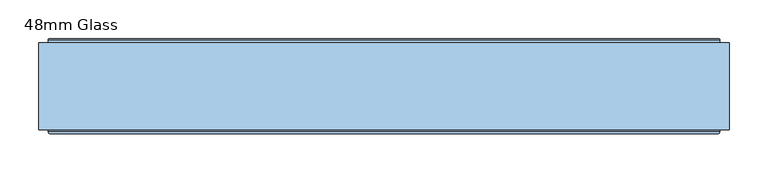
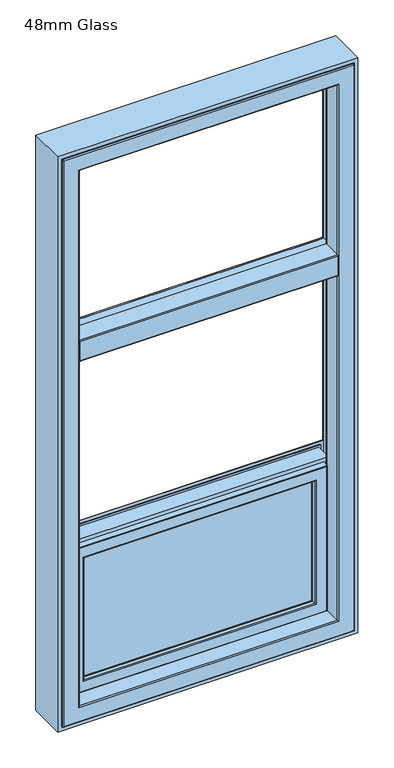
"""IFC4 building model written with IfcOpenShell, lengths in millimetres: window geometry, 48mm Glass."""

from ifc_helpers import new_model, si_unit, frame, origin, place, context, project, spatial, polyline, circle_curve, ellipse_curve, outline, extrude, source, transform, mapped, element, save
from ifc_brep_helpers import plane_surface, cylinder_surface, revolved_surface, advanced_brep


def window_48mm_glass_fe7081b2(model_context):
    return source(origin(), model_context, "Body", "SolidModel", [
        advanced_brep(
        [(382.0, 91.0, 1956.9609121), (382.0, 91.0, 1940.288), (-382.0, 91.0, 1940.288), (-382.0, 91.0, 1956.9609121), (382.0, 35.0, 1940.288), (-382.0, 35.0, 1940.288), (382.0, 32.0, 1943.288), (382.0, 32.0, 2003.288), (-382.0, 32.0, 2003.288), (-382.0, 32.0, 1943.288), (382.0, 35.0, 2006.288), (382.0, 91.0, 2006.288), (-382.0, 91.0, 2006.288), (-382.0, 35.0, 2006.288), (382.0, 91.0, 1989.6150879), (-382.0, 91.0, 1989.6150879), (400.1583253, 92.2894565, 1988.1299376), (406.822025, 146.5609347, 1981.4773048), (-406.822025, 146.5609347, 1981.4773048), (-400.1583253, 92.2894565, 1988.1299376), (406.822025, 146.5609347, 1965.0986952), (400.1583253, 92.2894565, 1958.4460624), (-400.1583253, 92.2894565, 1958.4460624), (-406.822025, 146.5609347, 1965.0986952), (400.0, 91.0, 1956.9609121), (400.0, 91.0, 1989.6150879), (407.6, 153.0, 1980.688), (407.6, 153.0, 1965.888), (407.6, 154.0, 1966.888), (407.6, 154.0, 1979.688), (407.0359197, 148.3029671, 1965.888), (407.0359197, 148.3029671, 1980.688), (-400.0, 91.0, 1989.6150879), (-400.0, 91.0, 1956.9609121), (-407.6, 153.0, 1965.888), (-407.6, 153.0, 1980.688), (-407.6, 154.0, 1979.688), (-407.6, 154.0, 1966.888), (-407.0359197, 148.3029671, 1980.688), (-407.0359197, 148.3029671, 1965.888)],
        [
            (0, 1),
            (1, 2),
            (2, 3),
            (3, 0),
            (1, 4),
            (4, 5),
            (5, 2),
            (6, 7),
            (7, 8),
            (8, 9),
            (9, 6),
            (10, 11),
            (11, 12),
            (12, 13),
            (13, 10),
            (11, 14),
            (14, 15),
            (15, 12),
            (16, 17),
            (17, 18),
            (18, 19),
            (19, 16),
            (20, 21),
            (21, 22),
            (22, 23),
            (23, 20),
            (14, 0),
            (0, 24),
            (24, 25),
            (25, 14),
            (10, 7, circle_curve(frame((382.0, 35.0, 2003.288), z_axis=(1.0, 0.0, 0.0), x_axis=(0.0, 0.0, 1.0)), 3.0)),
            (6, 4, circle_curve(frame((382.0, 35.0, 1943.288), z_axis=(1.0, 0.0, 0.0), x_axis=(0.0, 0.0, 1.0)), 3.0)),
            (26, 27),
            (27, 28, circle_curve(frame((407.6, 153.0, 1966.888), z_axis=(1.0, 0.0, 0.0), x_axis=(0.0, 0.0, 1.0)), 1.0)),
            (28, 29),
            (29, 26, circle_curve(frame((407.6, 153.0, 1979.688), z_axis=(1.0, 0.0, 0.0), x_axis=(0.0, 0.0, 1.0)), 1.0)),
            (24, 21, ellipse_curve(frame((400.1841768, 92.5, 1956.9609121), z_axis=(-0.9925461516413192, 0.12186934340517064, 0.0), x_axis=(0.12186934340517032, 0.9925461516413191, 0.0)), 1.5112647, 1.5)),
            (20, 30),
            (30, 27),
            (26, 31),
            (31, 17),
            (16, 25, ellipse_curve(frame((400.1841768, 92.5, 1989.6150879), z_axis=(-0.9925461516413192, 0.12186934340517064, 0.0), x_axis=(0.12186934340517032, 0.9925461516413191, 0.0)), 1.5112647, 1.5)),
            (3, 15),
            (15, 32),
            (32, 33),
            (33, 3),
            (5, 9, circle_curve(frame((-382.0, 35.0, 1943.288), z_axis=(-1.0, 0.0, 0.0), x_axis=(0.0, 0.0, 1.0)), 3.0)),
            (8, 13, circle_curve(frame((-382.0, 35.0, 2003.288), z_axis=(-1.0, 0.0, 0.0), x_axis=(0.0, 0.0, 1.0)), 3.0)),
            (34, 35),
            (35, 36, circle_curve(frame((-407.6, 153.0, 1979.688), z_axis=(-1.0, 0.0, 0.0), x_axis=(0.0, 0.0, 1.0)), 1.0)),
            (36, 37),
            (37, 34, circle_curve(frame((-407.6, 153.0, 1966.888), z_axis=(-1.0, 0.0, 0.0), x_axis=(0.0, 0.0, 1.0)), 1.0)),
            (32, 19, ellipse_curve(frame((-400.1841768, 92.5, 1989.6150879), z_axis=(0.9925461516413218, 0.12186934340514957, 0.0), x_axis=(0.12186934340514949, -0.9925461516413219, 0.0)), 1.5112647, 1.5)),
            (18, 38),
            (38, 35),
            (34, 39),
            (39, 23),
            (22, 33, ellipse_curve(frame((-400.1841768, 92.5, 1956.9609121), z_axis=(0.9925461516413218, 0.12186934340514957, 0.0), x_axis=(0.12186934340514949, -0.9925461516413219, 0.0)), 1.5112647, 1.5)),
            (31, 38),
            (26, 35),
            (29, 36),
            (28, 37),
            (27, 34),
            (30, 39),
        ],
        [
            plane_surface(frame((-432.0, 91.0, 1956.9609121), z_axis=(0.0, 1.0, 0.0), x_axis=(1.0, 0.0, 0.0))),
            plane_surface(frame((-432.0, 91.0, 1940.288), z_axis=(0.0, 0.0, -1.0), x_axis=(1.0, 0.0, 0.0))),
            plane_surface(frame((-432.0, 32.0, 1943.288), z_axis=(0.0, -1.0, 0.0), x_axis=(1.0, 0.0, 0.0))),
            plane_surface(frame((-432.0, 35.0, 2006.288), z_axis=(0.0, 0.0, 1.0), x_axis=(1.0, 0.0, 0.0))),
            plane_surface(frame((-432.0, 91.0, 2006.288), z_axis=(0.0, 1.0, 0.0), x_axis=(1.0, 0.0, 0.0))),
            plane_surface(frame((-432.0, 92.2894565, 1988.1299376), z_axis=(0.0, 0.12166994625706042, 0.992570614202236), x_axis=(1.0, 0.0, 0.0))),
            plane_surface(frame((-432.0, 146.5609347, 1965.0986952), z_axis=(0.0, 0.12166994625704212, -0.9925706142022382), x_axis=(1.0, 0.0, 0.0))),
            plane_surface(frame((400.0, 91.0, 2223.288), z_axis=(0.0, -1.0, 0.0), x_axis=(0.0, 0.0, -1.0))),
            plane_surface(frame((382.0, 91.0, 2223.288), z_axis=(1.0, 0.0, 0.0), x_axis=(0.0, 0.0, -1.0))),
            plane_surface(frame((407.6, 154.0, 2223.288), z_axis=(1.0, 0.0, 0.0), x_axis=(0.0, 0.0, -1.0))),
            plane_surface(frame((407.6, 152.8970329, 2223.288), z_axis=(0.9925461516413192, -0.12186934340517064, 0.0), x_axis=(0.0, 0.0, -1.0))),
            plane_surface(frame((-382.0, 91.0, 2223.288), z_axis=(0.0, -1.0, 0.0), x_axis=(0.0, 0.0, -1.0))),
            plane_surface(frame((-382.0, 32.0, 2223.288), z_axis=(-1.0, 0.0, 0.0), x_axis=(0.0, 0.0, -1.0))),
            plane_surface(frame((-407.6, 152.8970329, 2223.288), z_axis=(-1.0, 0.0, 0.0), x_axis=(0.0, 0.0, -1.0))),
            plane_surface(frame((-400.0, 91.0, 2223.288), z_axis=(-0.9925461516413218, -0.12186934340514957, 0.0), x_axis=(0.0, 0.0, -1.0))),
            revolved_surface(polyline([(400.3683536367004, 92.5, 1958.4609121), (-400.36835363670036, 92.5, 1958.4609121)]), (432.0, 92.5, 1956.9609121), (1.0, 0.0, 0.0)),
            cylinder_surface(frame((432.0, 35.0, 1943.288), z_axis=(-1.0, 0.0, 0.0), x_axis=(0.0, 0.0, 1.0)), 3.0),
            cylinder_surface(frame((432.0, 35.0, 2003.288), z_axis=(-1.0, 0.0, 0.0), x_axis=(0.0, 0.0, 1.0)), 3.0),
            revolved_surface(polyline([(400.3683536367004, 92.5, 1991.1150879), (-400.36835363670036, 92.5, 1991.1150879)]), (432.0, 92.5, 1989.6150879), (1.0, 0.0, 0.0)),
            plane_surface(frame((-432.0, 146.5609347, 1981.4773048), z_axis=(0.0, 0.4127070888885561, 0.9108637981504883), x_axis=(1.0, 0.0, 0.0))),
            plane_surface(frame((-432.0, 148.3029671, 1980.688), z_axis=(0.0, 0.0, 1.0), x_axis=(1.0, 0.0, 0.0))),
            cylinder_surface(frame((432.0, 153.0, 1979.688), z_axis=(-1.0, 0.0, 0.0), x_axis=(0.0, 0.0, 1.0)), 1.0),
            plane_surface(frame((-432.0, 154.0, 1979.688), z_axis=(0.0, 1.0, 0.0), x_axis=(1.0, 0.0, 0.0))),
            cylinder_surface(frame((432.0, 153.0, 1966.888), z_axis=(-1.0, 0.0, 0.0), x_axis=(0.0, 0.0, 1.0)), 1.0),
            plane_surface(frame((-432.0, 153.0, 1965.888), z_axis=(0.0, 0.0, -1.0), x_axis=(1.0, 0.0, 0.0))),
            plane_surface(frame((-432.0, 148.3029671, 1965.888), z_axis=(0.0, 0.41270708890017077, -0.9108637981452258), x_axis=(1.0, 0.0, 0.0))),
        ],
        [
            (0, [[1, 2, 3, 4]]),
            (1, [[5, 6, 7, -2]]),
            (2, [[8, 9, 10, 11]]),
            (3, [[12, 13, 14, 15]]),
            (4, [[16, 17, 18, -13]]),
            (5, [[19, 20, 21, 22]]),
            (6, [[23, 24, 25, 26]]),
            (7, [[27, 28, 29, 30]]),
            (8, [[-27, -16, -12, 31, -8, 32, -5, -1]]),
            (9, [[33, 34, 35, 36]]),
            (10, [[-29, 37, -23, 38, 39, -33, 40, 41, -19, 42]]),
            (11, [[43, 44, 45, 46]]),
            (12, [[-43, -3, -7, 47, -10, 48, -14, -18]]),
            (13, [[49, 50, 51, 52]]),
            (14, [[-45, 53, -21, 54, 55, -49, 56, 57, -25, 58]]),
            (15, [[-28, -4, -46, -58, -24, -37]]),
            (16, [[-32, -11, -47, -6]]),
            (17, [[-31, -15, -48, -9]]),
            (18, [[-30, -42, -22, -53, -44, -17]]),
            (19, [[-41, 59, -54, -20]]),
            (20, [[-40, 60, -55, -59]]),
            (21, [[-36, 61, -50, -60]]),
            (22, [[-35, 62, -51, -61]]),
            (23, [[-34, 63, -52, -62]]),
            (24, [[-39, 64, -56, -63]]),
            (25, [[-38, -26, -57, -64]]),
        ],
    ),
        extrude(outline(polyline([(354.0, 93.0110098), (-354.0, 93.0110098), (-354.0, 141.0110098), (354.0, 141.0110098), (354.0, 93.0110098)])), frame((0.0, 0.0, 890.0), z_axis=(0.0, 0.0, 1.0), x_axis=(1.0, 0.0, 0.0)), (0.0, 0.0, 1.0), 406.592),
        advanced_brep(
        [(396.5, 148.6168436, 1339.092), (396.5, 145.5999985, 1339.092), (396.5, 145.5999985, 847.5), (396.5, 148.6168436, 847.5), (399.0, 153.0, 1341.592), (400.0, 152.0, 1342.592), (400.0, 152.0, 844.0), (399.0, 153.0, 845.0), (340.0012615, 141.0, 1282.5932615), (340.0012615, 142.3599713, 1282.5932615), (340.0012615, 142.3599713, 903.9987385), (340.0012615, 141.0, 903.9987385), (358.3697055, 93.0110098, 1300.9617055), (364.2620126, 141.0, 1306.8540126), (364.2620126, 141.0, 879.7379874), (358.3697055, 93.0110098, 885.6302945), (340.0013518, 90.0110098, 1282.5933518), (340.0013518, 93.0110098, 1282.5933518), (340.0013518, 93.0110098, 903.9986482), (340.0013518, 90.0110098, 903.9986482), (340.0232044, 88.8030982, 1282.6152044), (341.001352, 90.0110098, 1283.593352), (341.001352, 90.0110098, 902.998648), (340.0232044, 88.8030982, 903.9767956), (341.8120427, 80.376265, 1284.4040427), (341.8120427, 80.376265, 902.1879573), (344.7464855, 78.0, 1287.3384855), (344.7464855, 78.0, 899.2535145), (377.5618051, 79.7562613, 1320.1538051), (375.5767128, 78.0, 1318.1687128), (375.5767128, 78.0, 868.4232872), (377.5618051, 79.7562613, 866.4381949), (379.5562854, 96.0, 1322.1482854), (379.5562854, 96.0, 864.4437146), (391.0, 145.5999985, 1333.592), (391.0, 96.0, 1333.592), (391.0, 96.0, 853.0), (391.0, 145.5999985, 853.0), (-396.5, 145.5999985, 847.5), (-396.5, 148.6168436, 847.5), (-400.0, 152.0, 844.0), (-399.0, 153.0, 845.0), (-340.0012615, 142.3599713, 903.9987385), (-340.0012615, 141.0, 903.9987385), (-364.2620126, 141.0, 879.7379874), (-358.3697055, 93.0110098, 885.6302945), (-340.0013518, 93.0110098, 903.9986482), (-340.0013518, 90.0110098, 903.9986482), (-341.001352, 90.0110098, 902.998648), (-340.0232044, 88.8030982, 903.9767956), (-341.8120427, 80.376265, 902.1879573), (-344.7464855, 78.0, 899.2535145), (-375.5767128, 78.0, 868.4232872), (-377.5618051, 79.7562613, 866.4381949), (-379.5562854, 96.0, 864.4437146), (-391.0, 96.0, 853.0), (-391.0, 145.5999985, 853.0), (-396.5, 145.5999985, 1339.092), (-396.5, 148.6168436, 1339.092), (-400.0, 152.0, 1342.592), (-399.0, 153.0, 1341.592), (-340.0012615, 142.3599713, 1282.5932615), (-340.0012615, 141.0, 1282.5932615), (-364.2620126, 141.0, 1306.8540126), (-358.3697055, 93.0110098, 1300.9617055), (-340.0013518, 93.0110098, 1282.5933518), (-340.0013518, 90.0110098, 1282.5933518), (-341.001352, 90.0110098, 1283.593352), (-340.0232044, 88.8030982, 1282.6152044), (-341.8120427, 80.376265, 1284.4040427), (-344.7464855, 78.0, 1287.3384855), (-375.5767128, 78.0, 1318.1687128), (-377.5618051, 79.7562613, 1320.1538051), (-379.5562854, 96.0, 1322.1482854), (-391.0, 96.0, 1333.592), (-391.0, 145.5999985, 1333.592), (406.1997151, 149.6865589, 837.8002849), (-406.1997151, 149.6865589, 837.8002849), (-406.1997151, 149.6865589, 1348.7917151), (406.1997151, 149.6865589, 1348.7917151), (400.0, 149.6865589, 1342.592), (-400.0, 149.6865589, 1342.592), (-400.0, 149.6865589, 844.0), (400.0, 149.6865589, 844.0), (406.1997151, 148.6168436, 1348.7917151), (406.1997151, 148.6168436, 837.8002849), (-406.1997151, 148.6168436, 837.8002849), (-406.1997151, 148.6168436, 1348.7917151), (342.8249234, 151.5957532, 1285.4169234), (344.5279664, 153.0, 1287.1199664), (344.5279664, 153.0, 899.4720336), (342.8249234, 151.5957532, 901.1750766), (-344.5279664, 153.0, 899.4720336), (-342.8249234, 151.5957532, 901.1750766), (-344.5279664, 153.0, 1287.1199664), (-342.8249234, 151.5957532, 1285.4169234)],
        [
            (0, 1),
            (1, 2),
            (2, 3),
            (3, 0),
            (4, 5, ellipse_curve(frame((399.0, 152.0, 1341.592), z_axis=(0.7071067811865475, 0.0, -0.7071067811865475), x_axis=(0.7071067811865474, 0.0, 0.7071067811865476)), 1.4142136, 1.0)),
            (5, 6),
            (6, 7, ellipse_curve(frame((399.0, 152.0, 845.0), z_axis=(0.7071067811865475, 0.0, 0.7071067811865475), x_axis=(-0.7071067811865474, 0.0, 0.7071067811865476)), 1.4142136, 1.0)),
            (7, 4),
            (8, 9),
            (9, 10),
            (10, 11),
            (11, 8),
            (12, 13),
            (13, 14),
            (14, 15),
            (15, 12),
            (16, 17),
            (17, 18),
            (18, 19),
            (19, 16),
            (20, 21, ellipse_curve(frame((341.001352, 89.0110098, 1283.593352), z_axis=(0.7071067811865475, 0.0, -0.7071067811865475), x_axis=(0.7071067811865474, 0.0, 0.7071067811865476)), 1.4142136, 1.0)),
            (21, 22),
            (22, 23, ellipse_curve(frame((341.001352, 89.0110098, 902.998648), z_axis=(0.7071067811865475, 0.0, 0.7071067811865475), x_axis=(-0.7071067811865474, 0.0, 0.7071067811865476)), 1.4142136, 1.0)),
            (23, 20),
            (24, 20),
            (23, 25),
            (25, 24),
            (26, 24, ellipse_curve(frame((344.7464855, 81.0, 1287.3384855), z_axis=(0.7071067811865475, 0.0, -0.7071067811865475), x_axis=(0.7071067811865474, 0.0, 0.7071067811865476)), 4.2426407, 3.0)),
            (25, 27, ellipse_curve(frame((344.7464855, 81.0, 899.2535145), z_axis=(0.7071067811865475, 0.0, 0.7071067811865475), x_axis=(-0.7071067811865474, 0.0, 0.7071067811865476)), 4.2426407, 3.0)),
            (27, 26),
            (28, 29, ellipse_curve(frame((375.5767128, 80.0, 1318.1687128), z_axis=(0.7071067811865475, 0.0, -0.7071067811865475), x_axis=(0.7071067811865474, 0.0, 0.7071067811865476)), 2.8284271, 2.0)),
            (29, 30),
            (30, 31, ellipse_curve(frame((375.5767128, 80.0, 868.4232872), z_axis=(0.7071067811865475, 0.0, 0.7071067811865475), x_axis=(-0.7071067811865474, 0.0, 0.7071067811865476)), 2.8284271, 2.0)),
            (31, 28),
            (32, 28),
            (31, 33),
            (33, 32),
            (34, 35),
            (35, 36),
            (36, 37),
            (37, 34),
            (2, 38),
            (38, 39),
            (39, 3),
            (6, 40),
            (40, 41, ellipse_curve(frame((-399.0, 152.0, 845.0), z_axis=(0.7071067811865475, 0.0, -0.7071067811865475), x_axis=(0.7071067811865476, 0.0, 0.7071067811865474)), 1.4142136, 1.0)),
            (41, 7),
            (10, 42),
            (42, 43),
            (43, 11),
            (14, 44),
            (44, 45),
            (45, 15),
            (18, 46),
            (46, 47),
            (47, 19),
            (22, 48),
            (48, 49, ellipse_curve(frame((-341.001352, 89.0110098, 902.998648), z_axis=(0.7071067811865475, 0.0, -0.7071067811865475), x_axis=(0.7071067811865476, 0.0, 0.7071067811865474)), 1.4142136, 1.0)),
            (49, 23),
            (49, 50),
            (50, 25),
            (50, 51, ellipse_curve(frame((-344.7464855, 81.0, 899.2535145), z_axis=(0.7071067811865475, 0.0, -0.7071067811865475), x_axis=(0.7071067811865476, 0.0, 0.7071067811865474)), 4.2426407, 3.0)),
            (51, 27),
            (30, 52),
            (52, 53, ellipse_curve(frame((-375.5767128, 80.0, 868.4232872), z_axis=(0.7071067811865475, 0.0, -0.7071067811865475), x_axis=(0.7071067811865476, 0.0, 0.7071067811865474)), 2.8284271, 2.0)),
            (53, 31),
            (53, 54),
            (54, 33),
            (36, 55),
            (55, 56),
            (56, 37),
            (38, 57),
            (57, 58),
            (58, 39),
            (40, 59),
            (59, 60, ellipse_curve(frame((-399.0, 152.0, 1341.592), z_axis=(-0.7071067811865475, 0.0, -0.7071067811865475), x_axis=(0.7071067811865474, 0.0, -0.7071067811865476)), 1.4142136, 1.0)),
            (60, 41),
            (42, 61),
            (61, 62),
            (62, 43),
            (44, 63),
            (63, 64),
            (64, 45),
            (46, 65),
            (65, 66),
            (66, 47),
            (48, 67),
            (67, 68, ellipse_curve(frame((-341.001352, 89.0110098, 1283.593352), z_axis=(-0.7071067811865475, 0.0, -0.7071067811865475), x_axis=(0.7071067811865474, 0.0, -0.7071067811865476)), 1.4142136, 1.0)),
            (68, 49),
            (68, 69),
            (69, 50),
            (69, 70, ellipse_curve(frame((-344.7464855, 81.0, 1287.3384855), z_axis=(-0.7071067811865475, 0.0, -0.7071067811865475), x_axis=(0.7071067811865474, 0.0, -0.7071067811865476)), 4.2426407, 3.0)),
            (70, 51),
            (52, 71),
            (71, 72, ellipse_curve(frame((-375.5767128, 80.0, 1318.1687128), z_axis=(-0.7071067811865475, 0.0, -0.7071067811865475), x_axis=(0.7071067811865474, 0.0, -0.7071067811865476)), 2.8284271, 2.0)),
            (72, 53),
            (72, 73),
            (73, 54),
            (55, 74),
            (74, 75),
            (75, 56),
            (1, 57),
            (75, 34),
            (0, 58),
            (76, 77),
            (77, 78),
            (78, 79),
            (79, 76),
            (80, 81),
            (81, 82),
            (82, 83),
            (83, 80),
            (59, 5),
            (4, 60),
            (61, 9),
            (8, 62),
            (13, 63),
            (12, 64),
            (17, 65),
            (16, 66),
            (21, 67),
            (20, 68),
            (24, 69),
            (26, 70),
            (29, 71),
            (28, 72),
            (32, 73),
            (35, 74),
            (79, 84),
            (84, 85),
            (85, 76),
            (5, 80),
            (83, 6),
            (85, 86),
            (86, 77),
            (82, 40),
            (86, 87),
            (87, 78),
            (81, 59),
            (84, 87),
            (88, 89, ellipse_curve(frame((344.7375329, 151.0110098, 1287.3295329), z_axis=(0.7071067811865475, 0.0, -0.7071067811865475), x_axis=(0.7071067811865474, 0.0, 0.7071067811865476)), 2.8284271, 2.0)),
            (89, 90),
            (90, 91, ellipse_curve(frame((344.7375329, 151.0110098, 899.2624671), z_axis=(0.7071067811865475, 0.0, 0.7071067811865475), x_axis=(-0.7071067811865474, 0.0, 0.7071067811865476)), 2.8284271, 2.0)),
            (91, 88),
            (9, 88),
            (91, 10),
            (90, 92),
            (92, 93, ellipse_curve(frame((-344.7375329, 151.0110098, 899.2624671), z_axis=(0.7071067811865475, 0.0, -0.7071067811865475), x_axis=(0.7071067811865476, 0.0, 0.7071067811865474)), 2.8284271, 2.0)),
            (93, 91),
            (93, 42),
            (92, 94),
            (94, 95, ellipse_curve(frame((-344.7375329, 151.0110098, 1287.3295329), z_axis=(-0.7071067811865475, 0.0, -0.7071067811865475), x_axis=(0.7071067811865474, 0.0, -0.7071067811865476)), 2.8284271, 2.0)),
            (95, 93),
            (95, 61),
            (89, 94),
            (88, 95),
        ],
        [
            plane_surface(frame((396.5, 145.5999985, 1339.092), z_axis=(1.0, 0.0, 0.0), x_axis=(0.0, 0.0, -1.0))),
            cylinder_surface(frame((399.0, 152.0, 1333.592), z_axis=(0.0, 0.0, 1.0), x_axis=(0.0, -1.0, 0.0)), 1.0),
            plane_surface(frame((340.0012615, 142.3599713, 1282.5932615), z_axis=(-1.0, 0.0, 0.0), x_axis=(0.0, 0.0, -1.0))),
            plane_surface(frame((364.2620126, 141.0, 1306.8540126), z_axis=(-0.9925461516413232, 0.12186934340513839, 0.0), x_axis=(0.0, 0.0, -1.0))),
            plane_surface(frame((340.0013518, 93.0110098, 1282.5933518), z_axis=(-1.0, 0.0, 0.0), x_axis=(0.0, 0.0, -1.0))),
            cylinder_surface(frame((341.001352, 89.0110098, 1333.592), z_axis=(0.0, 0.0, 1.0), x_axis=(0.0, -1.0, 0.0)), 1.0),
            plane_surface(frame((340.0232044, 88.8030982, 1282.6152044), z_axis=(-0.9782028159557521, -0.2076517538000511, 0.0), x_axis=(0.0, 0.0, -1.0))),
            cylinder_surface(frame((344.7464855, 81.0, 1333.592), z_axis=(0.0, 0.0, 1.0), x_axis=(0.0, -1.0, 0.0)), 3.0),
            cylinder_surface(frame((375.5767128, 80.0, 1333.592), z_axis=(0.0, 0.0, 1.0), x_axis=(0.0, -1.0, 0.0)), 2.0),
            plane_surface(frame((377.5618051, 79.7562613, 1320.1538051), z_axis=(0.9925461516416152, -0.12186934340276044, 0.0), x_axis=(0.0, 0.0, -1.0))),
            plane_surface(frame((391.0, 96.0, 1333.592), z_axis=(1.0, 0.0, 0.0), x_axis=(0.0, 0.0, -1.0))),
            plane_surface(frame((396.5, 145.5999985, 847.5), z_axis=(0.0, 0.0, -1.0), x_axis=(-1.0, 0.0, 0.0))),
            cylinder_surface(frame((391.0, 152.0, 845.0), z_axis=(1.0, 0.0, 0.0), x_axis=(0.0, -1.0, 0.0)), 1.0),
            plane_surface(frame((340.0012615, 142.3599713, 903.9987385), z_axis=(0.0, 0.0, 1.0), x_axis=(-1.0, 0.0, 0.0))),
            plane_surface(frame((364.2620126, 141.0, 879.7379874), z_axis=(0.0, 0.12186934340513839, 0.9925461516413232), x_axis=(-1.0, 0.0, 0.0))),
            plane_surface(frame((340.0013518, 93.0110098, 903.9986482), z_axis=(0.0, 0.0, 1.0), x_axis=(-1.0, 0.0, 0.0))),
            cylinder_surface(frame((391.0, 89.0110098, 902.998648), z_axis=(1.0, 0.0, 0.0), x_axis=(0.0, -1.0, 0.0)), 1.0),
            plane_surface(frame((340.0232044, 88.8030982, 903.9767956), z_axis=(0.0, -0.2076517538000511, 0.9782028159557521), x_axis=(-1.0, 0.0, 0.0))),
            cylinder_surface(frame((391.0, 81.0, 899.2535145), z_axis=(1.0, 0.0, 0.0), x_axis=(0.0, -1.0, 0.0)), 3.0),
            cylinder_surface(frame((391.0, 80.0, 868.4232872), z_axis=(1.0, 0.0, 0.0), x_axis=(0.0, -1.0, 0.0)), 2.0),
            plane_surface(frame((377.5618051, 79.7562613, 866.4381949), z_axis=(0.0, -0.12186934340276044, -0.9925461516416152), x_axis=(-1.0, 0.0, 0.0))),
            plane_surface(frame((391.0, 96.0, 853.0), z_axis=(0.0, 0.0, -1.0), x_axis=(-1.0, 0.0, 0.0))),
            plane_surface(frame((-396.5, 145.5999985, 847.5), z_axis=(-1.0, 0.0, 0.0), x_axis=(0.0, 0.0, 1.0))),
            cylinder_surface(frame((-399.0, 152.0, 853.0), z_axis=(0.0, 0.0, -1.0), x_axis=(0.0, -1.0, 0.0)), 1.0),
            plane_surface(frame((-340.0012615, 142.3599713, 903.9987385), z_axis=(1.0, 0.0, 0.0), x_axis=(0.0, 0.0, 1.0))),
            plane_surface(frame((-364.2620126, 141.0, 879.7379874), z_axis=(0.9925461516413232, 0.12186934340513839, 0.0), x_axis=(0.0, 0.0, 1.0))),
            plane_surface(frame((-340.0013518, 93.0110098, 903.9986482), z_axis=(1.0, 0.0, 0.0), x_axis=(0.0, 0.0, 1.0))),
            cylinder_surface(frame((-341.001352, 89.0110098, 853.0), z_axis=(0.0, 0.0, -1.0), x_axis=(0.0, -1.0, 0.0)), 1.0),
            plane_surface(frame((-340.0232044, 88.8030982, 903.9767956), z_axis=(0.9782028159557521, -0.2076517538000511, 0.0), x_axis=(0.0, 0.0, 1.0))),
            cylinder_surface(frame((-344.7464855, 81.0, 853.0), z_axis=(0.0, 0.0, -1.0), x_axis=(0.0, -1.0, 0.0)), 3.0),
            cylinder_surface(frame((-375.5767128, 80.0, 853.0), z_axis=(0.0, 0.0, -1.0), x_axis=(0.0, -1.0, 0.0)), 2.0),
            plane_surface(frame((-377.5618051, 79.7562613, 866.4381949), z_axis=(-0.9925461516416152, -0.12186934340276044, 0.0), x_axis=(0.0, 0.0, 1.0))),
            plane_surface(frame((-391.0, 96.0, 853.0), z_axis=(-1.0, 0.0, 0.0), x_axis=(0.0, 0.0, 1.0))),
            plane_surface(frame((-391.0, 145.5999985, 1333.592), z_axis=(0.0, -1.0, 0.0), x_axis=(1.0, 0.0, 0.0))),
            plane_surface(frame((-396.5, 145.5999985, 1339.092), z_axis=(0.0, 0.0, 1.0), x_axis=(1.0, 0.0, 0.0))),
            plane_surface(frame((-406.1997151, 149.6865589, 1348.7917151), z_axis=(0.0, 1.0, 0.0), x_axis=(1.0, 0.0, 0.0))),
            cylinder_surface(frame((-391.0, 152.0, 1341.592), z_axis=(-1.0, 0.0, 0.0), x_axis=(0.0, -1.0, 0.0)), 1.0),
            plane_surface(frame((-340.0012615, 142.3599713, 1282.5932615), z_axis=(0.0, 0.0, -1.0), x_axis=(1.0, 0.0, 0.0))),
            plane_surface(frame((-340.0012615, 141.0, 1282.5932615), z_axis=(0.0, -1.0, 0.0), x_axis=(1.0, 0.0, 0.0))),
            plane_surface(frame((-364.2620126, 141.0, 1306.8540126), z_axis=(0.0, 0.12186934340513839, -0.9925461516413232), x_axis=(1.0, 0.0, 0.0))),
            plane_surface(frame((-358.3697055, 93.0110098, 1300.9617055), z_axis=(0.0, 1.0, 0.0), x_axis=(1.0, 0.0, 0.0))),
            plane_surface(frame((-340.0013518, 93.0110098, 1282.5933518), z_axis=(0.0, 0.0, -1.0), x_axis=(1.0, 0.0, 0.0))),
            plane_surface(frame((-340.0013518, 90.0110098, 1282.5933518), z_axis=(0.0, -1.0, 0.0), x_axis=(1.0, 0.0, 0.0))),
            cylinder_surface(frame((-391.0, 89.0110098, 1283.593352), z_axis=(-1.0, 0.0, 0.0), x_axis=(0.0, -1.0, 0.0)), 1.0),
            plane_surface(frame((-340.0232044, 88.8030982, 1282.6152044), z_axis=(0.0, -0.2076517538000511, -0.9782028159557521), x_axis=(1.0, 0.0, 0.0))),
            cylinder_surface(frame((-391.0, 81.0, 1287.3384855), z_axis=(-1.0, 0.0, 0.0), x_axis=(0.0, -1.0, 0.0)), 3.0),
            plane_surface(frame((-344.7464855, 78.0, 1287.3384855), z_axis=(0.0, -1.0, 0.0), x_axis=(1.0, 0.0, 0.0))),
            cylinder_surface(frame((-391.0, 80.0, 1318.1687128), z_axis=(-1.0, 0.0, 0.0), x_axis=(0.0, -1.0, 0.0)), 2.0),
            plane_surface(frame((-377.5618051, 79.7562613, 1320.1538051), z_axis=(0.0, -0.12186934340276044, 0.9925461516416152), x_axis=(1.0, 0.0, 0.0))),
            plane_surface(frame((-379.5562854, 96.0, 1322.1482854), z_axis=(0.0, -1.0, 0.0), x_axis=(1.0, 0.0, 0.0))),
            plane_surface(frame((-391.0, 96.0, 1333.592), z_axis=(0.0, 0.0, 1.0), x_axis=(1.0, 0.0, 0.0))),
            plane_surface(frame((406.1997151, 148.6168436, 1348.7917151), z_axis=(1.0, 0.0, 0.0), x_axis=(0.0, 0.0, -1.0))),
            plane_surface(frame((400.0, 149.6865589, 1342.592), z_axis=(1.0, 0.0, 0.0), x_axis=(0.0, 0.0, -1.0))),
            plane_surface(frame((406.1997151, 148.6168436, 837.8002849), z_axis=(0.0, 0.0, -1.0), x_axis=(-1.0, 0.0, 0.0))),
            plane_surface(frame((400.0, 149.6865589, 844.0), z_axis=(0.0, 0.0, -1.0), x_axis=(-1.0, 0.0, 0.0))),
            plane_surface(frame((-406.1997151, 148.6168436, 837.8002849), z_axis=(-1.0, 0.0, 0.0), x_axis=(0.0, 0.0, 1.0))),
            plane_surface(frame((-400.0, 149.6865589, 844.0), z_axis=(-1.0, 0.0, 0.0), x_axis=(0.0, 0.0, 1.0))),
            plane_surface(frame((-396.5, 148.6168436, 1339.092), z_axis=(0.0, -1.0, 0.0), x_axis=(1.0, 0.0, 0.0))),
            plane_surface(frame((-406.1997151, 148.6168436, 1348.7917151), z_axis=(0.0, 0.0, 1.0), x_axis=(1.0, 0.0, 0.0))),
            plane_surface(frame((-400.0, 149.6865589, 1342.592), z_axis=(0.0, 0.0, 1.0), x_axis=(1.0, 0.0, 0.0))),
            cylinder_surface(frame((344.7375329, 151.0110098, 1333.592), z_axis=(0.0, 0.0, 1.0), x_axis=(0.0, -1.0, 0.0)), 2.0),
            plane_surface(frame((342.8249234, 151.5957532, 1285.4169234), z_axis=(-0.9563047559630313, 0.2923717047227505, 0.0), x_axis=(0.0, 0.0, -1.0))),
            cylinder_surface(frame((391.0, 151.0110098, 899.2624671), z_axis=(1.0, 0.0, 0.0), x_axis=(0.0, -1.0, 0.0)), 2.0),
            plane_surface(frame((342.8249234, 151.5957532, 901.1750766), z_axis=(0.0, 0.2923717047227505, 0.9563047559630313), x_axis=(-1.0, 0.0, 0.0))),
            cylinder_surface(frame((-344.7375329, 151.0110098, 853.0), z_axis=(0.0, 0.0, -1.0), x_axis=(0.0, -1.0, 0.0)), 2.0),
            plane_surface(frame((-342.8249234, 151.5957532, 901.1750766), z_axis=(0.9563047559630313, 0.2923717047227505, 0.0), x_axis=(0.0, 0.0, 1.0))),
            plane_surface(frame((-399.0, 153.0, 1341.592), z_axis=(0.0, 1.0, 0.0), x_axis=(1.0, 0.0, 0.0))),
            cylinder_surface(frame((-391.0, 151.0110098, 1287.3295329), z_axis=(-1.0, 0.0, 0.0), x_axis=(0.0, -1.0, 0.0)), 2.0),
            plane_surface(frame((-342.8249234, 151.5957532, 1285.4169234), z_axis=(0.0, 0.2923717047227505, -0.9563047559630313), x_axis=(1.0, 0.0, 0.0))),
        ],
        [
            (0, [[1, 2, 3, 4]]),
            (1, [[5, 6, 7, 8]]),
            (2, [[9, 10, 11, 12]]),
            (3, [[13, 14, 15, 16]]),
            (4, [[17, 18, 19, 20]]),
            (5, [[21, 22, 23, 24]]),
            (6, [[25, -24, 26, 27]]),
            (7, [[28, -27, 29, 30]]),
            (8, [[31, 32, 33, 34]]),
            (9, [[35, -34, 36, 37]]),
            (10, [[38, 39, 40, 41]]),
            (11, [[-3, 42, 43, 44]]),
            (12, [[-7, 45, 46, 47]]),
            (13, [[-11, 48, 49, 50]]),
            (14, [[-15, 51, 52, 53]]),
            (15, [[-19, 54, 55, 56]]),
            (16, [[-23, 57, 58, 59]]),
            (17, [[-26, -59, 60, 61]]),
            (18, [[-29, -61, 62, 63]]),
            (19, [[-33, 64, 65, 66]]),
            (20, [[-36, -66, 67, 68]]),
            (21, [[-40, 69, 70, 71]]),
            (22, [[-43, 72, 73, 74]]),
            (23, [[-46, 75, 76, 77]]),
            (24, [[-49, 78, 79, 80]]),
            (25, [[-52, 81, 82, 83]]),
            (26, [[-55, 84, 85, 86]]),
            (27, [[-58, 87, 88, 89]]),
            (28, [[-60, -89, 90, 91]]),
            (29, [[-62, -91, 92, 93]]),
            (30, [[-65, 94, 95, 96]]),
            (31, [[-67, -96, 97, 98]]),
            (32, [[-70, 99, 100, 101]]),
            (33, [[102, -72, -42, -2], [-71, -101, 103, -41]]),
            (34, [[-73, -102, -1, 104]]),
            (35, [[105, 106, 107, 108], [109, 110, 111, 112]]),
            (36, [[-76, 113, -5, 114]]),
            (37, [[-79, 115, -9, 116]]),
            (38, [[117, -81, -51, -14], [-50, -80, -116, -12]]),
            (39, [[-82, -117, -13, 118]]),
            (40, [[-53, -83, -118, -16], [119, -84, -54, -18]]),
            (41, [[-85, -119, -17, 120]]),
            (42, [[121, -87, -57, -22], [-56, -86, -120, -20]]),
            (43, [[-88, -121, -21, 122]]),
            (44, [[-90, -122, -25, 123]]),
            (45, [[-92, -123, -28, 124]]),
            (46, [[125, -94, -64, -32], [-63, -93, -124, -30]]),
            (47, [[-95, -125, -31, 126]]),
            (48, [[-97, -126, -35, 127]]),
            (49, [[128, -99, -69, -39], [-68, -98, -127, -37]]),
            (50, [[-100, -128, -38, -103]]),
            (51, [[129, 130, 131, -108]]),
            (52, [[132, -112, 133, -6]]),
            (53, [[-131, 134, 135, -105]]),
            (54, [[-133, -111, 136, -45]]),
            (55, [[-135, 137, 138, -106]]),
            (56, [[-136, -110, 139, -75]]),
            (57, [[140, -137, -134, -130], [-44, -74, -104, -4]]),
            (58, [[-138, -140, -129, -107]]),
            (59, [[-139, -109, -132, -113]]),
            (60, [[141, 142, 143, 144]]),
            (61, [[145, -144, 146, -10]]),
            (62, [[-143, 147, 148, 149]]),
            (63, [[-146, -149, 150, -48]]),
            (64, [[-148, 151, 152, 153]]),
            (65, [[-150, -153, 154, -78]]),
            (66, [[-47, -77, -114, -8], [155, -151, -147, -142]]),
            (67, [[-152, -155, -141, 156]]),
            (68, [[-154, -156, -145, -115]]),
        ],
    ),
        advanced_brep(
        [(-383.5, 91.0, 2539.5), (-382.0, 89.5, 2538.0), (-382.0, 89.5, 862.0), (-383.5, 91.0, 860.5), (-382.0, 35.0, 2538.0), (-382.0, 35.0, 862.0), (382.0, 89.5, 862.0), (383.5, 91.0, 860.5), (398.6498733, 91.0, 2554.6498733), (398.6498733, 91.0, 845.3501267), (-398.6498733, 91.0, 845.3501267), (-398.6498733, 91.0, 2554.6498733), (383.5, 91.0, 2539.5), (-400.1386925, 92.317196, 2556.1386925), (-400.1386925, 92.317196, 843.8613075), (400.1386925, 92.317196, 843.8613075), (-406.7857488, 146.453125, 2562.7857488), (-406.7857488, 146.453125, 837.2142512), (406.7857488, 146.453125, 837.2142512), (407.6, 146.453125, 2563.6), (407.6, 146.453125, 836.4), (-407.6, 146.453125, 836.4), (-407.6, 146.453125, 2563.6), (406.7857488, 146.453125, 2562.7857488), (-407.6, 153.0, 2563.6), (-407.6, 153.0, 836.4), (407.6, 153.0, 836.4), (-408.6, 154.0, 2564.6), (-408.6, 154.0, 835.4), (408.6, 154.0, 835.4), (431.0, 154.0, 2587.0), (431.0, 154.0, 813.0), (-431.0, 154.0, 813.0), (-431.0, 154.0, 2587.0), (408.6, 154.0, 2564.6), (-432.0, 153.0, 2588.0), (-432.0, 153.0, 812.0), (432.0, 153.0, 812.0), (-432.0, 35.0, 2588.0), (-432.0, 35.0, 812.0), (432.0, 35.0, 812.0), (-429.0, 32.0, 2585.0), (-429.0, 32.0, 815.0), (429.0, 32.0, 815.0), (429.0, 32.0, 2585.0), (385.0, 32.0, 2541.0), (385.0, 32.0, 859.0), (-385.0, 32.0, 859.0), (-385.0, 32.0, 2541.0), (382.0, 35.0, 862.0), (382.0, 89.5, 2538.0), (400.1386925, 92.317196, 2556.1386925), (407.6, 153.0, 2563.6), (432.0, 153.0, 2588.0), (432.0, 35.0, 2588.0), (382.0, 35.0, 2538.0)],
        [
            (0, 1, ellipse_curve(frame((-383.5, 89.5, 2539.5), z_axis=(-0.7071067811865475, 0.0, -0.7071067811865475), x_axis=(-0.7071067811865474, 0.0, 0.7071067811865476)), 2.1213203, 1.5)),
            (1, 2),
            (2, 3, ellipse_curve(frame((-383.5, 89.5, 860.5), z_axis=(-0.7071067811865475, 0.0, 0.7071067811865475), x_axis=(0.7071067811865474, 0.0, 0.7071067811865476)), 2.1213203, 1.5)),
            (3, 0),
            (1, 4),
            (4, 5),
            (5, 2),
            (2, 6),
            (6, 7, ellipse_curve(frame((383.5, 89.5, 860.5), z_axis=(-0.7071067811865475, 0.0, -0.7071067811865475), x_axis=(-0.7071067811865476, 0.0, 0.7071067811865474)), 2.1213203, 1.5)),
            (7, 3),
            (8, 9),
            (9, 10),
            (10, 11),
            (11, 8),
            (7, 12),
            (12, 0),
            (13, 11, ellipse_curve(frame((-398.6498733, 92.5, 2554.6498733), z_axis=(0.7071067811865475, 0.0, 0.7071067811865475), x_axis=(0.7071067811865474, 0.0, -0.7071067811865476)), 2.1213203, 1.5)),
            (10, 14, ellipse_curve(frame((-398.6498733, 92.5, 845.3501267), z_axis=(0.7071067811865475, 0.0, -0.7071067811865475), x_axis=(-0.7071067811865474, 0.0, -0.7071067811865476)), 2.1213203, 1.5)),
            (14, 13),
            (9, 15, ellipse_curve(frame((398.6498733, 92.5, 845.3501267), z_axis=(0.7071067811865475, 0.0, 0.7071067811865475), x_axis=(0.7071067811865476, 0.0, -0.7071067811865474)), 2.1213203, 1.5)),
            (15, 14),
            (16, 13),
            (14, 17),
            (17, 16),
            (15, 18),
            (18, 17),
            (19, 20),
            (20, 21),
            (21, 22),
            (22, 19),
            (18, 23),
            (23, 16),
            (24, 22),
            (21, 25),
            (25, 24),
            (20, 26),
            (26, 25),
            (27, 24, ellipse_curve(frame((-408.6, 153.0, 2564.6), z_axis=(-0.7071067811865475, 0.0, -0.7071067811865475), x_axis=(-0.7071067811865474, 0.0, 0.7071067811865476)), 1.4142136, 1.0)),
            (25, 28, ellipse_curve(frame((-408.6, 153.0, 835.4), z_axis=(-0.7071067811865475, 0.0, 0.7071067811865475), x_axis=(0.7071067811865474, 0.0, 0.7071067811865476)), 1.4142136, 1.0)),
            (28, 27),
            (26, 29, ellipse_curve(frame((408.6, 153.0, 835.4), z_axis=(-0.7071067811865475, 0.0, -0.7071067811865475), x_axis=(-0.7071067811865476, 0.0, 0.7071067811865474)), 1.4142136, 1.0)),
            (29, 28),
            (30, 31),
            (31, 32),
            (32, 33),
            (33, 30),
            (29, 34),
            (34, 27),
            (35, 33, ellipse_curve(frame((-431.0, 153.0, 2587.0), z_axis=(-0.7071067811865475, 0.0, -0.7071067811865475), x_axis=(-0.7071067811865474, 0.0, 0.7071067811865476)), 1.4142136, 1.0)),
            (32, 36, ellipse_curve(frame((-431.0, 153.0, 813.0), z_axis=(-0.7071067811865475, 0.0, 0.7071067811865475), x_axis=(0.7071067811865474, 0.0, 0.7071067811865476)), 1.4142136, 1.0)),
            (36, 35),
            (31, 37, ellipse_curve(frame((431.0, 153.0, 813.0), z_axis=(-0.7071067811865475, 0.0, -0.7071067811865475), x_axis=(-0.7071067811865476, 0.0, 0.7071067811865474)), 1.4142136, 1.0)),
            (37, 36),
            (38, 35),
            (36, 39),
            (39, 38),
            (37, 40),
            (40, 39),
            (41, 38, ellipse_curve(frame((-429.0, 35.0, 2585.0), z_axis=(-0.7071067811865475, 0.0, -0.7071067811865475), x_axis=(-0.7071067811865474, 0.0, 0.7071067811865476)), 4.2426407, 3.0)),
            (39, 42, ellipse_curve(frame((-429.0, 35.0, 815.0), z_axis=(-0.7071067811865475, 0.0, 0.7071067811865475), x_axis=(0.7071067811865474, 0.0, 0.7071067811865476)), 4.2426407, 3.0)),
            (42, 41),
            (40, 43, ellipse_curve(frame((429.0, 35.0, 815.0), z_axis=(-0.7071067811865475, 0.0, -0.7071067811865475), x_axis=(-0.7071067811865476, 0.0, 0.7071067811865474)), 4.2426407, 3.0)),
            (43, 42),
            (43, 44),
            (44, 41),
            (45, 46),
            (46, 47),
            (47, 48),
            (48, 45),
            (4, 48, ellipse_curve(frame((-385.0, 35.0, 2541.0), z_axis=(-0.7071067811865475, 0.0, -0.7071067811865475), x_axis=(-0.7071067811865474, 0.0, 0.7071067811865476)), 4.2426407, 3.0)),
            (47, 5, ellipse_curve(frame((-385.0, 35.0, 859.0), z_axis=(-0.7071067811865475, 0.0, 0.7071067811865475), x_axis=(0.7071067811865474, 0.0, 0.7071067811865476)), 4.2426407, 3.0)),
            (46, 49, ellipse_curve(frame((385.0, 35.0, 859.0), z_axis=(-0.7071067811865475, 0.0, -0.7071067811865475), x_axis=(-0.7071067811865476, 0.0, 0.7071067811865474)), 4.2426407, 3.0)),
            (49, 5),
            (49, 6),
            (6, 50),
            (50, 12, ellipse_curve(frame((383.5, 89.5, 2539.5), z_axis=(0.7071067811865475, 0.0, -0.7071067811865475), x_axis=(-0.7071067811865474, 0.0, -0.7071067811865476)), 2.1213203, 1.5)),
            (8, 51, ellipse_curve(frame((398.6498733, 92.5, 2554.6498733), z_axis=(-0.7071067811865475, 0.0, 0.7071067811865475), x_axis=(0.7071067811865474, 0.0, 0.7071067811865476)), 2.1213203, 1.5)),
            (51, 15),
            (51, 23),
            (19, 52),
            (52, 26),
            (52, 34, ellipse_curve(frame((408.6, 153.0, 2564.6), z_axis=(0.7071067811865475, 0.0, -0.7071067811865475), x_axis=(-0.7071067811865474, 0.0, -0.7071067811865476)), 1.4142136, 1.0)),
            (30, 53, ellipse_curve(frame((431.0, 153.0, 2587.0), z_axis=(0.7071067811865475, 0.0, -0.7071067811865475), x_axis=(-0.7071067811865474, 0.0, -0.7071067811865476)), 1.4142136, 1.0)),
            (53, 37),
            (53, 54),
            (54, 40),
            (54, 44, ellipse_curve(frame((429.0, 35.0, 2585.0), z_axis=(0.7071067811865475, 0.0, -0.7071067811865475), x_axis=(-0.7071067811865474, 0.0, -0.7071067811865476)), 4.2426407, 3.0)),
            (45, 55, ellipse_curve(frame((385.0, 35.0, 2541.0), z_axis=(0.7071067811865475, 0.0, -0.7071067811865475), x_axis=(-0.7071067811865474, 0.0, -0.7071067811865476)), 4.2426407, 3.0)),
            (55, 49),
            (55, 50),
            (50, 1),
            (55, 4),
            (13, 51),
            (24, 52),
            (35, 53),
            (38, 54),
        ],
        [
            cylinder_surface(frame((-383.5, 89.5, 2600.0), z_axis=(0.0, 0.0, 1.0), x_axis=(0.0, 1.0, 0.0)), 1.5),
            plane_surface(frame((-382.0, 35.0, 2538.0), z_axis=(1.0, 0.0, 0.0), x_axis=(0.0, 0.0, -1.0))),
            cylinder_surface(frame((-444.0, 89.5, 860.5), z_axis=(-1.0, 0.0, 0.0), x_axis=(0.0, 1.0, 0.0)), 1.5),
            plane_surface(frame((383.5, 91.0, 860.5), z_axis=(0.0, 1.0, 0.0), x_axis=(0.0, 0.0, 1.0))),
            revolved_surface(polyline([(-398.6498733, 94.0, 843.8501267308015), (-398.6498733, 94.0, 2556.1498732691985)]), (-398.6498733, 92.5, 2600.0), (0.0, 0.0, -1.0)),
            revolved_surface(polyline([(400.1498732691988, 94.0, 845.3501267), (-400.1498732691987, 94.0, 845.3501267)]), (-444.0, 92.5, 845.3501267), (1.0, 0.0, 0.0)),
            plane_surface(frame((-400.1386925, 92.317196, 2556.1386925), z_axis=(0.9925461516413234, 0.12186934340513697, 0.0), x_axis=(0.0, 0.0, -1.0))),
            plane_surface(frame((-400.1386925, 92.317196, 843.8613075), z_axis=(0.0, 0.12186934340513697, 0.9925461516413234), x_axis=(1.0, 0.0, 0.0))),
            plane_surface(frame((406.7857488, 146.453125, 837.2142512), z_axis=(0.0, 1.0, 0.0), x_axis=(0.0, 0.0, 1.0))),
            plane_surface(frame((-407.6, 146.453125, 2563.6), z_axis=(1.0, 0.0, 0.0), x_axis=(0.0, 0.0, -1.0))),
            plane_surface(frame((-407.6, 146.453125, 836.4), z_axis=(0.0, 0.0, 1.0), x_axis=(1.0, 0.0, 0.0))),
            cylinder_surface(frame((-408.6, 153.0, 2600.0), z_axis=(0.0, 0.0, 1.0), x_axis=(0.0, 1.0, 0.0)), 1.0),
            cylinder_surface(frame((-444.0, 153.0, 835.4), z_axis=(-1.0, 0.0, 0.0), x_axis=(0.0, 1.0, 0.0)), 1.0),
            plane_surface(frame((408.6, 154.0, 835.4), z_axis=(0.0, 1.0, 0.0), x_axis=(0.0, 0.0, 1.0))),
            cylinder_surface(frame((-431.0, 153.0, 2600.0), z_axis=(0.0, 0.0, 1.0), x_axis=(0.0, 1.0, 0.0)), 1.0),
            cylinder_surface(frame((-444.0, 153.0, 813.0), z_axis=(-1.0, 0.0, 0.0), x_axis=(0.0, 1.0, 0.0)), 1.0),
            plane_surface(frame((-432.0, 153.0, 2588.0), z_axis=(-1.0, 0.0, 0.0), x_axis=(0.0, 0.0, -1.0))),
            plane_surface(frame((-432.0, 153.0, 812.0), z_axis=(0.0, 0.0, -1.0), x_axis=(1.0, 0.0, 0.0))),
            cylinder_surface(frame((-429.0, 35.0, 2600.0), z_axis=(0.0, 0.0, 1.0), x_axis=(0.0, 1.0, 0.0)), 3.0),
            cylinder_surface(frame((-444.0, 35.0, 815.0), z_axis=(-1.0, 0.0, 0.0), x_axis=(0.0, 1.0, 0.0)), 3.0),
            plane_surface(frame((429.0, 32.0, 815.0), z_axis=(0.0, -1.0, 0.0), x_axis=(0.0, 0.0, 1.0))),
            cylinder_surface(frame((-385.0, 35.0, 2600.0), z_axis=(0.0, 0.0, 1.0), x_axis=(0.0, 1.0, 0.0)), 3.0),
            cylinder_surface(frame((-444.0, 35.0, 859.0), z_axis=(-1.0, 0.0, 0.0), x_axis=(0.0, 1.0, 0.0)), 3.0),
            plane_surface(frame((-382.0, 35.0, 862.0), z_axis=(0.0, 0.0, 1.0), x_axis=(1.0, 0.0, 0.0))),
            cylinder_surface(frame((383.5, 89.5, 800.0), z_axis=(0.0, 0.0, -1.0), x_axis=(0.0, 1.0, 0.0)), 1.5),
            revolved_surface(polyline([(398.6498733, 94.0, 2556.1498732691985), (398.6498733, 94.0, 843.8501267308013)]), (398.6498733, 92.5, 800.0), (0.0, 0.0, 1.0)),
            plane_surface(frame((400.1386925, 92.317196, 843.8613075), z_axis=(-0.9925461516413234, 0.12186934340513697, 0.0), x_axis=(0.0, 0.0, 1.0))),
            plane_surface(frame((407.6, 146.453125, 836.4), z_axis=(-1.0, 0.0, 0.0), x_axis=(0.0, 0.0, 1.0))),
            cylinder_surface(frame((408.6, 153.0, 800.0), z_axis=(0.0, 0.0, -1.0), x_axis=(0.0, 1.0, 0.0)), 1.0),
            cylinder_surface(frame((431.0, 153.0, 800.0), z_axis=(0.0, 0.0, -1.0), x_axis=(0.0, 1.0, 0.0)), 1.0),
            plane_surface(frame((432.0, 153.0, 812.0), z_axis=(1.0, 0.0, 0.0), x_axis=(0.0, 0.0, 1.0))),
            cylinder_surface(frame((429.0, 35.0, 800.0), z_axis=(0.0, 0.0, -1.0), x_axis=(0.0, 1.0, 0.0)), 3.0),
            cylinder_surface(frame((385.0, 35.0, 800.0), z_axis=(0.0, 0.0, -1.0), x_axis=(0.0, 1.0, 0.0)), 3.0),
            plane_surface(frame((382.0, 35.0, 862.0), z_axis=(-1.0, 0.0, 0.0), x_axis=(0.0, 0.0, 1.0))),
            cylinder_surface(frame((444.0, 89.5, 2539.5), z_axis=(1.0, 0.0, 0.0), x_axis=(0.0, 1.0, 0.0)), 1.5),
            plane_surface(frame((382.0, 35.0, 2538.0), z_axis=(0.0, 0.0, -1.0), x_axis=(-1.0, 0.0, 0.0))),
            revolved_surface(polyline([(-400.1498732691988, 94.0, 2554.6498733), (400.1498732691987, 94.0, 2554.6498733)]), (444.0, 92.5, 2554.6498733), (-1.0, 0.0, 0.0)),
            plane_surface(frame((400.1386925, 92.317196, 2556.1386925), z_axis=(0.0, 0.12186934340513697, -0.9925461516413234), x_axis=(-1.0, 0.0, 0.0))),
            plane_surface(frame((407.6, 146.453125, 2563.6), z_axis=(0.0, 0.0, -1.0), x_axis=(-1.0, 0.0, 0.0))),
            cylinder_surface(frame((444.0, 153.0, 2564.6), z_axis=(1.0, 0.0, 0.0), x_axis=(0.0, 1.0, 0.0)), 1.0),
            cylinder_surface(frame((444.0, 153.0, 2587.0), z_axis=(1.0, 0.0, 0.0), x_axis=(0.0, 1.0, 0.0)), 1.0),
            plane_surface(frame((432.0, 153.0, 2588.0), z_axis=(0.0, 0.0, 1.0), x_axis=(-1.0, 0.0, 0.0))),
            cylinder_surface(frame((444.0, 35.0, 2585.0), z_axis=(1.0, 0.0, 0.0), x_axis=(0.0, 1.0, 0.0)), 3.0),
            cylinder_surface(frame((444.0, 35.0, 2541.0), z_axis=(1.0, 0.0, 0.0), x_axis=(0.0, 1.0, 0.0)), 3.0),
        ],
        [
            (0, [[1, 2, 3, 4]]),
            (1, [[5, 6, 7, -2]]),
            (2, [[-3, 8, 9, 10]]),
            (3, [[11, 12, 13, 14], [-4, -10, 15, 16]]),
            (4, [[17, -13, 18, 19]]),
            (5, [[-18, -12, 20, 21]]),
            (6, [[22, -19, 23, 24]]),
            (7, [[-23, -21, 25, 26]]),
            (8, [[27, 28, 29, 30], [-24, -26, 31, 32]]),
            (9, [[33, -29, 34, 35]]),
            (10, [[-34, -28, 36, 37]]),
            (11, [[38, -35, 39, 40]]),
            (12, [[-39, -37, 41, 42]]),
            (13, [[43, 44, 45, 46], [-40, -42, 47, 48]]),
            (14, [[49, -45, 50, 51]]),
            (15, [[-50, -44, 52, 53]]),
            (16, [[54, -51, 55, 56]]),
            (17, [[-55, -53, 57, 58]]),
            (18, [[59, -56, 60, 61]]),
            (19, [[-60, -58, 62, 63]]),
            (20, [[-61, -63, 64, 65], [66, 67, 68, 69]]),
            (21, [[70, -68, 71, -6]]),
            (22, [[-71, -67, 72, 73]]),
            (23, [[-7, -73, 74, -8]]),
            (24, [[-9, 75, 76, -15]]),
            (25, [[-20, -11, 77, 78]]),
            (26, [[-25, -78, 79, -31]]),
            (27, [[-36, -27, 80, 81]]),
            (28, [[-41, -81, 82, -47]]),
            (29, [[-52, -43, 83, 84]]),
            (30, [[-57, -84, 85, 86]]),
            (31, [[-62, -86, 87, -64]]),
            (32, [[-72, -66, 88, 89]]),
            (33, [[-74, -89, 90, -75]]),
            (34, [[-76, 91, -1, -16]]),
            (35, [[-90, 92, -5, -91]]),
            (36, [[-77, -14, -17, 93]]),
            (37, [[-79, -93, -22, -32]]),
            (38, [[-80, -30, -33, 94]]),
            (39, [[-82, -94, -38, -48]]),
            (40, [[-83, -46, -49, 95]]),
            (41, [[-85, -95, -54, 96]]),
            (42, [[-87, -96, -59, -65]]),
            (43, [[-88, -69, -70, -92]]),
        ],
    ),
        extrude(outline(polyline([(2600.0, -444.0), (800.0, -444.0), (800.0, 444.0), (2600.0, 444.0), (2600.0, -444.0)]), holes=[polyline([(2588.0, 432.0), (812.0, 432.0), (812.0, -432.0), (2588.0, -432.0), (2588.0, 432.0)])]), frame((0.0, 37.0, 0.0), z_axis=(0.0, 1.0, 0.0), x_axis=(0.0, 0.0, 1.0)), (0.0, 0.0, 1.0), 112.0),
    ])


if __name__ == "__main__":
    model = new_model("IFC4")
    model_context = context("Model", 3, world=origin())
    ifc_project = project(units=[si_unit("LENGTHUNIT", "METRE", prefix="MILLI")], contexts=[model_context])
    site = spatial("IfcSite", under=ifc_project)
    building = spatial("IfcBuilding", under=site)
    placement = place(None, origin())
    window_48mm_glass_shape = window_48mm_glass_fe7081b2(model_context)
    element("IfcWindow", 1, ObjectType="48mm Glass", at=placement, inside=building, context=model_context, shape_type="MappedRepresentation", body=[
        mapped(window_48mm_glass_shape, transform((0.0, 0.0, 0.0), x_axis=(1.0, 0.0, 0.0), y_axis=(0.0, 1.0, 0.0), z_axis=(0.0, 0.0, 1.0))),
    ])
    save(model, "model.ifc")
